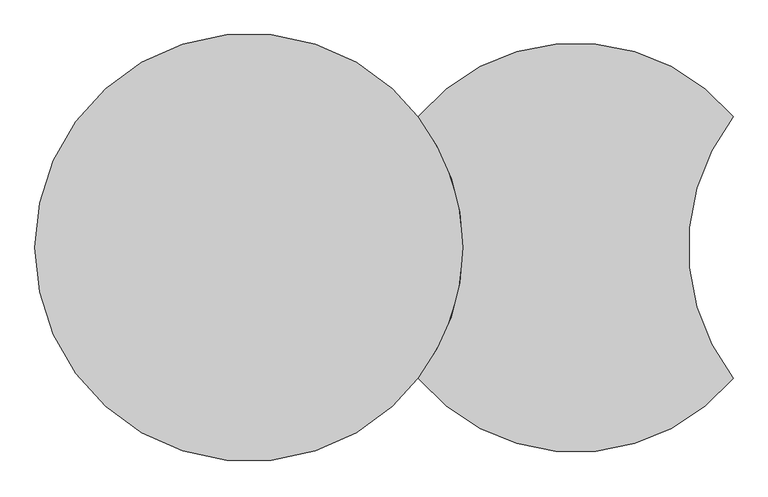
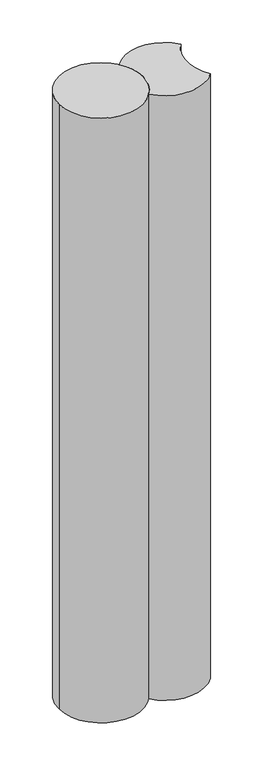
"""IFC4 building model written with IfcOpenShell, lengths in millimetres: proxy geometry."""

from ifc_helpers import new_model, si_unit, point, frame, frame_2d, origin, origin_2d, place, context, project, spatial, circle_curve, trimmed, segment, composite_curve, outline, extrude, source, transform, mapped, element, save


def generic_models_0c66a1c9(model_context):
    return source(origin(), model_context, "Body", "SweptSolid", [
        extrude(outline(composite_curve([segment(trimmed(circle_curve(origin_2d(), 460.0), [point((363.8205128, -281.4864729))], [point((460.0, 0.0))], True, "CARTESIAN"), True, "CONTINUOUS"), segment(trimmed(circle_curve(origin_2d(), 460.0), [point((460.0, 0.0))], [point((363.8205128, 281.4864729))], True, "CARTESIAN"), True, "CONTINUOUS"), segment(trimmed(circle_curve(frame_2d((702.0, 0.0)), 440.0), [point((363.8205128, 281.4864729))], [point((1040.1794872, 281.4864729))], False, "CARTESIAN"), True, "CONTINUOUS"), segment(trimmed(circle_curve(frame_2d((1404.0, 0.0)), 460.0), [point((1040.1794872, 281.4864729))], [point((1040.1794872, -281.4864729))], True, "CARTESIAN"), True, "CONTINUOUS"), segment(trimmed(circle_curve(frame_2d((702.0, 0.0)), 440.0), [point((1040.1794872, -281.4864729))], [point((363.8205128, -281.4864729))], False, "CARTESIAN"), True, "CONTINUOUS")], self_intersect=False)), frame((0.0, 0.0, -7000.0), z_axis=(0.0, 0.0, 1.0), x_axis=(1.0, 0.0, 0.0)), (0.0, 0.0, 1.0), 7000.0),
        extrude(outline(composite_curve([segment(trimmed(circle_curve(origin_2d(), 460.0), [point((-460.0, 0.0))], [point((460.0, 0.0))], False, "CARTESIAN"), True, "CONTINUOUS"), segment(trimmed(circle_curve(origin_2d(), 460.0), [point((460.0, 0.0))], [point((-460.0, 0.0))], False, "CARTESIAN"), True, "CONTINUOUS")], self_intersect=False)), frame((0.0, 0.0, -7000.0), z_axis=(0.0, 0.0, 1.0), x_axis=(1.0, 0.0, 0.0)), (0.0, 0.0, 1.0), 7000.0),
    ])


if __name__ == "__main__":
    model = new_model("IFC4")
    model_context = context("Model", 3, world=origin())
    ifc_project = project(units=[si_unit("LENGTHUNIT", "METRE", prefix="MILLI")], contexts=[model_context])
    site = spatial("IfcSite", under=ifc_project)
    building = spatial("IfcBuilding", under=site)
    placement = place(None, origin())
    generic_models_shape = generic_models_0c66a1c9(model_context)
    element("IfcBuildingElementProxy", 1, Name="Generic Models", at=placement, inside=building, context=model_context, shape_type="MappedRepresentation", body=[
        mapped(generic_models_shape, transform((0.0, 0.0, 0.0), x_axis=(1.0, 0.0, 0.0), y_axis=(0.0, 1.0, 0.0), z_axis=(0.0, 0.0, 1.0))),
    ])
    save(model, "model.ifc")
